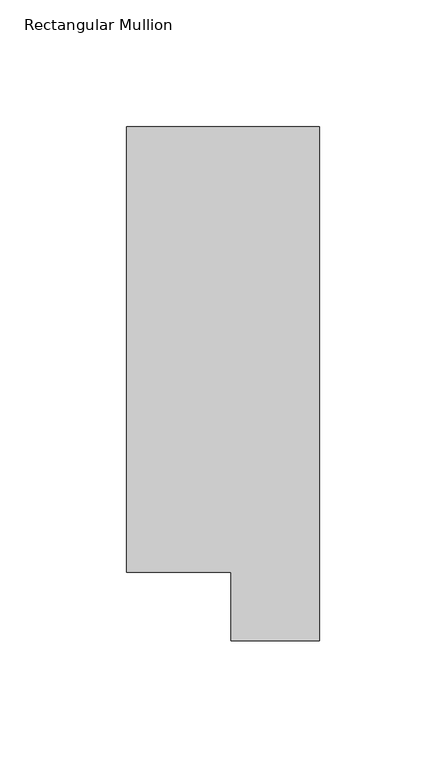
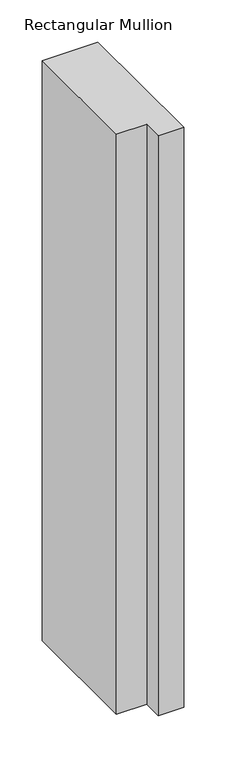
"""IFC4 building model written with IfcOpenShell, lengths in millimetres: member geometry, Rectangular Mullion."""

from ifc_helpers import new_model, si_unit, frame, origin, place, context, project, spatial, polyline, outline, extrude, source, transform, mapped, element, save


def rectangular_mullion_150fe211(model_context):
    return source(origin(), model_context, "Body", "SweptSolid", [
        extrude(outline(polyline([(0.0, 222.5381312), (0.0, 19.5667312), (-34.9123, 19.5667312), (-34.9123, 46.7447302), (-76.2, 46.7447302), (-76.2, 222.5381312), (0.0, 222.5381312)])), frame((0.0, 0.0, -838.1999992), z_axis=(0.0, 0.0, 1.0), x_axis=(1.0, 0.0, 0.0)), (0.0, 0.0, 1.0), 838.1999992),
    ])


if __name__ == "__main__":
    model = new_model("IFC4")
    model_context = context("Model", 3, world=origin())
    ifc_project = project(units=[si_unit("LENGTHUNIT", "METRE", prefix="MILLI")], contexts=[model_context])
    site = spatial("IfcSite", under=ifc_project)
    building = spatial("IfcBuilding", under=site)
    placement = place(None, origin())
    rectangular_mullion_shape = rectangular_mullion_150fe211(model_context)
    element("IfcMember", 1, ObjectType="Rectangular Mullion", at=placement, inside=building, context=model_context, shape_type="MappedRepresentation", body=[
        mapped(rectangular_mullion_shape, transform((0.0, 0.0, 0.0), x_axis=(1.0, 0.0, 0.0), y_axis=(0.0, 1.0, 0.0), z_axis=(0.0, 0.0, 1.0))),
    ])
    save(model, "model.ifc")
